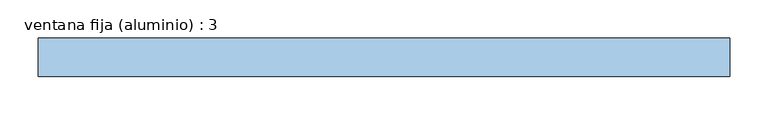
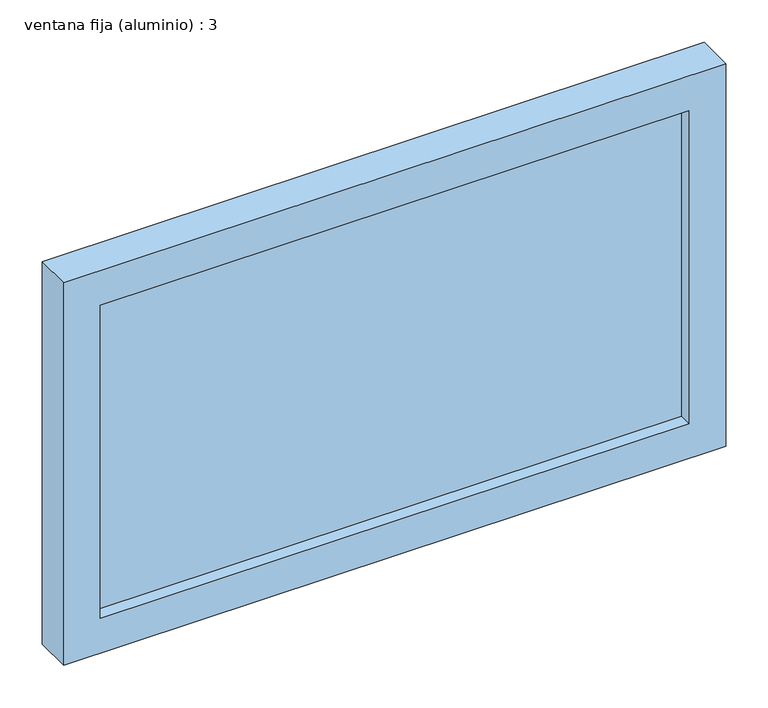
"""IFC4 building model written with IfcOpenShell, lengths in millimetres: window geometry, ventana fija (aluminio) : 3."""

from ifc_helpers import new_model, si_unit, frame, origin, place, context, project, spatial, polyline, outline, extrude, source, transform, mapped, element, save


def ventana_fija_aluminio_3_f423daa3(model_context):
    return source(origin(), model_context, "Body", "SweptSolid", [
        extrude(outline(polyline([(400.0, 116.5), (-400.0, 116.5), (-400.0, 131.5), (400.0, 131.5), (400.0, 116.5)])), frame((0.0, 0.0, 850.0), z_axis=(0.0, 0.0, 1.0), x_axis=(1.0, 0.0, 0.0)), (0.0, 0.0, 1.0), 450.0),
        extrude(outline(polyline([(1350.0, -450.0), (800.0, -450.0), (800.0, 450.0), (1350.0, 450.0), (1350.0, -450.0)]), holes=[polyline([(1300.0, -400.0), (1300.0, 400.0), (850.0, 400.0), (850.0, -400.0), (1300.0, -400.0)])]), frame((0.0, 99.0, 0.0), z_axis=(0.0, 1.0, 0.0), x_axis=(0.0, 0.0, 1.0)), (0.0, 0.0, 1.0), 50.0),
    ])


if __name__ == "__main__":
    model = new_model("IFC4")
    model_context = context("Model", 3, world=origin())
    ifc_project = project(units=[si_unit("LENGTHUNIT", "METRE", prefix="MILLI")], contexts=[model_context])
    site = spatial("IfcSite", under=ifc_project)
    building = spatial("IfcBuilding", under=site)
    placement = place(None, origin())
    ventana_fija_aluminio_3_shape = ventana_fija_aluminio_3_f423daa3(model_context)
    element("IfcWindow", 1, ObjectType="ventana fija (aluminio) : 3", at=placement, inside=building, context=model_context, shape_type="MappedRepresentation", body=[
        mapped(ventana_fija_aluminio_3_shape, transform((0.0, 0.0, 0.0), x_axis=(1.0, 0.0, 0.0), y_axis=(0.0, 1.0, 0.0), z_axis=(0.0, 0.0, 1.0))),
    ])
    save(model, "model.ifc")
